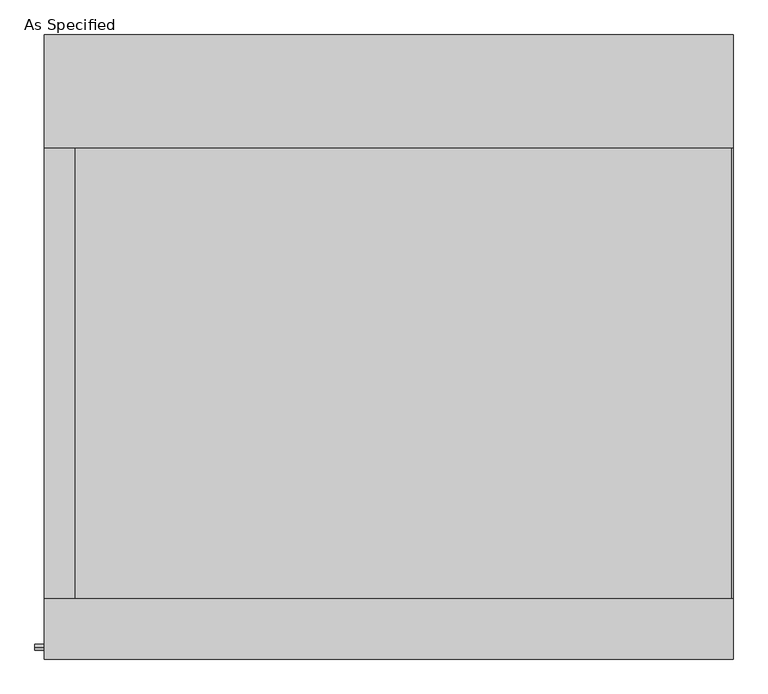
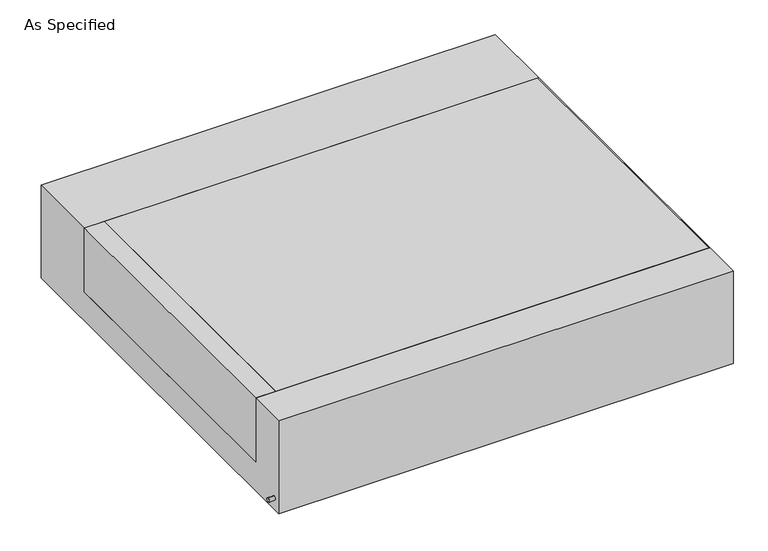
"""IFC4 building model written with IfcOpenShell, lengths in millimetres: proxy geometry, As Specified."""

from ifc_helpers import new_model, si_unit, point, frame, frame_2d, origin, place, context, project, spatial, polyline, circle_curve, trimmed, segment, composite_curve, outline, extrude, source, transform, mapped, element, save


def as_specified_36ac1006(model_context):
    return source(origin(), model_context, "Body", "SweptSolid", [
        extrude(outline(composite_curve([segment(trimmed(circle_curve(frame_2d((-1017.5875, -466.725)), 10.5), [point((-1017.5875, -456.225))], [point((-1017.5875, -477.225))], False, "CARTESIAN"), True, "CONTINUOUS"), segment(trimmed(circle_curve(frame_2d((-1017.5875, -466.725)), 10.5), [point((-1017.5875, -477.225))], [point((-1017.5875, -456.225))], False, "CARTESIAN"), True, "CONTINUOUS")], self_intersect=False)), frame((-1198.6528384, 0.0, 0.0), z_axis=(1.0, 0.0, 0.0), x_axis=(0.0, 1.0, 0.0)), (0.0, 0.0, 1.0), 31.8403384),
        extrude(outline(polyline([(-1064.41875, 673.1), (-1064.41875, -850.9), (-1166.8125, -850.9), (-1166.8125, 673.1), (-1064.41875, 673.1)])), frame((0.0, 0.0, -373.0625), z_axis=(0.0, 0.0, 1.0), x_axis=(1.0, 0.0, 0.0)), (0.0, 0.0, 1.0), 347.6625),
        extrude(outline(polyline([(1162.84375, 673.1), (1166.8125, 673.1), (1166.8125, -850.9), (1162.84375, -850.9), (1162.84375, 673.1)])), frame((0.0, 0.0, -39.6875), z_axis=(0.0, 0.0, 1.0), x_axis=(1.0, 0.0, 0.0)), (0.0, 0.0, 1.0), 14.2875),
        extrude(outline(polyline([(1166.8125, 673.1), (1166.8125, -850.9), (-1064.41875, -850.9), (-1064.41875, 673.1), (1166.8125, 673.1)])), frame((0.0, 0.0, -373.0625), z_axis=(0.0, 0.0, 1.0), x_axis=(1.0, 0.0, 0.0)), (0.0, 0.0, 1.0), 347.6625),
        extrude(outline(polyline([(1057.275, -25.4), (1057.275, -530.225), (-1057.275, -530.225), (-1057.275, -25.4), (-850.9, -25.4), (-850.9, -373.0625), (673.1, -373.0625), (673.1, -25.4), (1057.275, -25.4)])), frame((-1166.8125, 0.0, 0.0), z_axis=(1.0, 0.0, 0.0), x_axis=(0.0, 1.0, 0.0)), (0.0, 0.0, 1.0), 2333.625),
    ])


if __name__ == "__main__":
    model = new_model("IFC4")
    model_context = context("Model", 3, world=origin())
    ifc_project = project(units=[si_unit("LENGTHUNIT", "METRE", prefix="MILLI")], contexts=[model_context])
    site = spatial("IfcSite", under=ifc_project)
    building = spatial("IfcBuilding", under=site)
    placement = place(None, origin())
    as_specified_shape = as_specified_36ac1006(model_context)
    element("IfcBuildingElementProxy", 1, Name="As Specified", ObjectType="As Specified", at=placement, inside=building, context=model_context, shape_type="MappedRepresentation", body=[
        mapped(as_specified_shape, transform((0.0, 0.0, 0.0), x_axis=(1.0, 0.0, 0.0), y_axis=(0.0, 1.0, 0.0), z_axis=(0.0, 0.0, 1.0))),
    ])
    save(model, "model.ifc")
